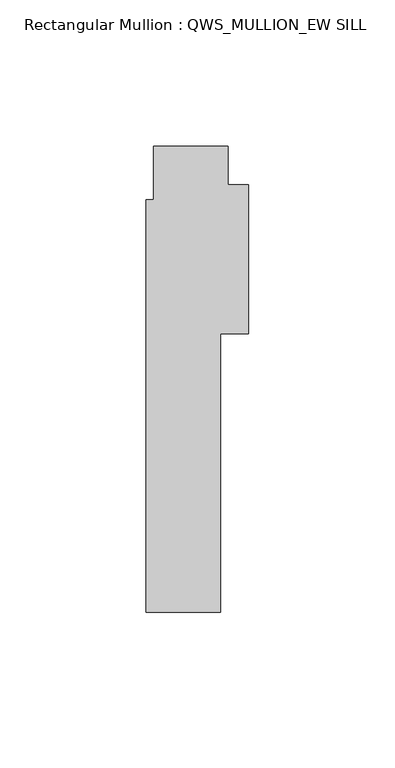
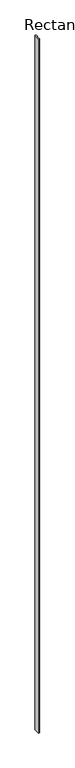
"""IFC4 building model written with IfcOpenShell, lengths in millimetres: member geometry, Rectangular Mullion : QWS_MULLION_EW SILL."""

from ifc_helpers import new_model, si_unit, frame, origin, place, context, project, spatial, polyline, outline, extrude, source, transform, mapped, element, save


def rectangular_mullion_qws_mullion_ew_sill_8b8bb3f2(model_context):
    return source(origin(), model_context, "Body", "SweptSolid", [
        extrude(outline(polyline([(-9.525, -88.9), (-34.9249494, -88.9), (-34.9249494, 52.0998485), (-32.3972498, 52.0998485), (-32.3972498, 70.2579067), (-6.9972498, 70.2579067), (-6.9972498, 57.085584), (0.0, 57.085584), (0.0, 6.285584), (-9.525, 6.285584), (-9.525, -88.9)])), frame((0.0, 0.0, -17870.3600445), z_axis=(0.0, 0.0, 1.0), x_axis=(1.0, 0.0, 0.0)), (0.0, 0.0, 1.0), 17870.3600445),
    ])


if __name__ == "__main__":
    model = new_model("IFC4")
    model_context = context("Model", 3, world=origin())
    ifc_project = project(units=[si_unit("LENGTHUNIT", "METRE", prefix="MILLI")], contexts=[model_context])
    site = spatial("IfcSite", under=ifc_project)
    building = spatial("IfcBuilding", under=site)
    placement = place(None, origin())
    rectangular_mullion_qws_mullion_ew_sill_shape = rectangular_mullion_qws_mullion_ew_sill_8b8bb3f2(model_context)
    element("IfcMember", 1, ObjectType="Rectangular Mullion : QWS_MULLION_EW SILL", at=placement, inside=building, context=model_context, shape_type="MappedRepresentation", body=[
        mapped(rectangular_mullion_qws_mullion_ew_sill_shape, transform((0.0, 0.0, 0.0), x_axis=(1.0, 0.0, 0.0), y_axis=(0.0, 1.0, 0.0), z_axis=(0.0, 0.0, 1.0))),
    ])
    save(model, "model.ifc")
